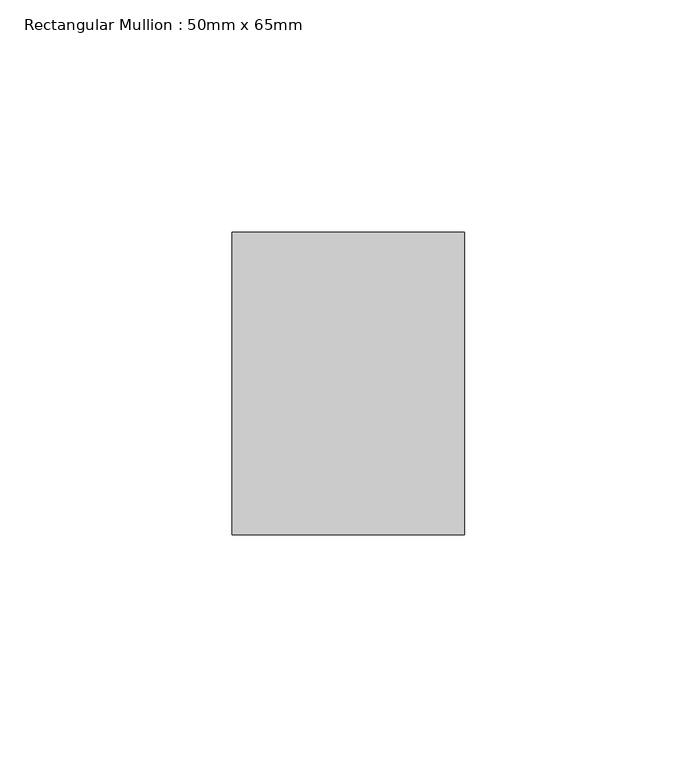
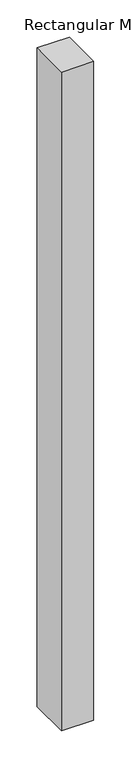
"""IFC4 building model written with IfcOpenShell, lengths in millimetres: member geometry, Rectangular Mullion : 50mm x 65mm."""

from ifc_helpers import new_model, si_unit, frame, origin, place, context, project, spatial, polyline, outline, extrude, source, transform, mapped, element, save


def rectangular_mullion_50mm_x_65mm_e5726854(model_context):
    return source(origin(), model_context, "Body", "SweptSolid", [
        extrude(outline(polyline([(25.0, 32.5), (25.0, -32.5), (-25.0, -32.5), (-25.0, 32.5), (25.0, 32.5)])), frame((0.0, 0.0, -1078.044645), z_axis=(0.0, 0.0, 1.0), x_axis=(1.0, 0.0, 0.0)), (0.0, 0.0, 1.0), 1078.044645),
    ])


if __name__ == "__main__":
    model = new_model("IFC4")
    model_context = context("Model", 3, world=origin())
    ifc_project = project(units=[si_unit("LENGTHUNIT", "METRE", prefix="MILLI")], contexts=[model_context])
    site = spatial("IfcSite", under=ifc_project)
    building = spatial("IfcBuilding", under=site)
    placement = place(None, origin())
    rectangular_mullion_50mm_x_65mm_shape = rectangular_mullion_50mm_x_65mm_e5726854(model_context)
    element("IfcMember", 1, ObjectType="Rectangular Mullion : 50mm x 65mm", at=placement, inside=building, context=model_context, shape_type="MappedRepresentation", body=[
        mapped(rectangular_mullion_50mm_x_65mm_shape, transform((0.0, 0.0, 0.0), x_axis=(1.0, 0.0, 0.0), y_axis=(0.0, 1.0, 0.0), z_axis=(0.0, 0.0, 1.0))),
    ])
    save(model, "model.ifc")
